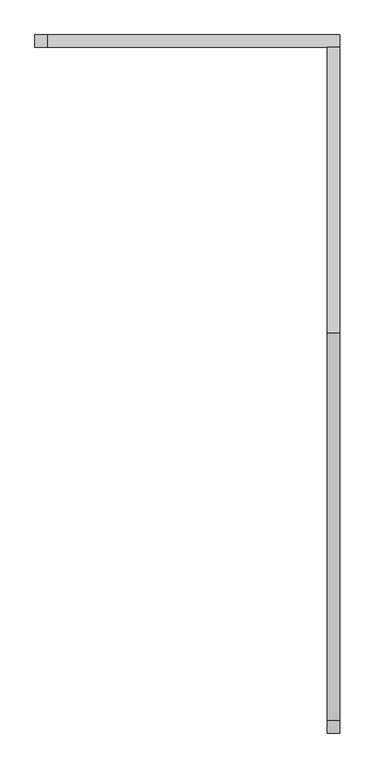
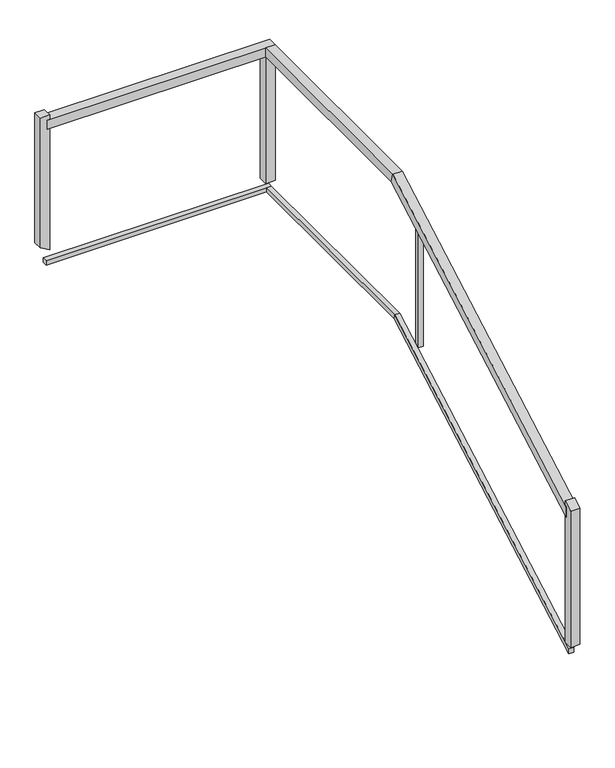
"""IFC4 building model written with IfcOpenShell, lengths in millimetres: railing geometry."""

from ifc_helpers import new_model, si_unit, frame, origin, place, context, project, spatial, polyline, outline, extrude, faceted_brep, source, transform, mapped, element, save


def railing_ad7afbd9(model_context):
    return source(origin(), model_context, "Body", "SolidModel", [
        faceted_brep([(-17048.4805784, 119392.2077715, 427.960957), (-17099.2805784, 119392.2077715, 427.960957), (-17099.2805784, 119392.2077715, 369.639043), (-17048.4805784, 119392.2077715, 369.639043), (-17048.4805784, 121017.5390603, 1344.6), (-17099.2805784, 121017.5390603, 1344.6), (-17099.2805784, 121030.8764827, 1293.8), (-17048.4805784, 121030.8764827, 1293.8), (-17048.4805784, 122208.2501734, 1344.6), (-17048.4805784, 122208.2501734, 1293.8), (-17099.2805784, 122208.2501734, 1293.8), (-17099.2805784, 122208.2501734, 1344.6)], [[[0, 1, 2, 3]], [[1, 0, 4, 5]], [[2, 1, 5, 6]], [[3, 2, 6, 7]], [[0, 3, 7, 4]], [[8, 9, 10, 11]], [[5, 4, 8, 11]], [[6, 5, 11, 10]], [[7, 6, 10, 9]], [[4, 7, 9, 8]]]),
        faceted_brep([(-17048.4805784, 122259.0501734, 1344.6), (-17048.4805784, 122208.2501734, 1344.6), (-17048.4805784, 122208.2501734, 1293.8), (-17048.4805784, 122259.0501734, 1293.8), (-18278.6629276, 122259.0501734, 1344.6), (-18278.6629276, 122259.0501734, 1293.8), (-18278.6629276, 122208.2501734, 1293.8), (-18278.6629276, 122208.2501734, 1344.6)], [[[0, 1, 2, 3]], [[4, 5, 6, 7]], [[1, 0, 4, 7]], [[2, 1, 7, 6]], [[3, 2, 6, 5]], [[0, 3, 5, 4]]]),
        faceted_brep([(-17061.1805784, 119392.2077715, -384.2195215), (-17086.5805784, 119392.2077715, -384.2195215), (-17086.5805784, 119392.2077715, -413.3804785), (-17061.1805784, 119392.2077715, -413.3804785), (-17061.1805784, 121020.8734159, 534.3), (-17086.5805784, 121020.8734159, 534.3), (-17086.5805784, 121027.5421271, 508.9), (-17061.1805784, 121027.5421271, 508.9), (-17061.1805784, 122220.9501734, 534.3), (-17061.1805784, 122220.9501734, 508.9), (-17086.5805784, 122220.9501734, 508.9), (-17086.5805784, 122220.9501734, 534.3)], [[[0, 1, 2, 3]], [[1, 0, 4, 5]], [[2, 1, 5, 6]], [[3, 2, 6, 7]], [[0, 3, 7, 4]], [[8, 9, 10, 11]], [[5, 4, 8, 11]], [[6, 5, 11, 10]], [[7, 6, 10, 9]], [[4, 7, 9, 8]]]),
        faceted_brep([(-17061.1805784, 122246.3501734, 534.3), (-17061.1805784, 122220.9501734, 534.3), (-17061.1805784, 122220.9501734, 508.9), (-17061.1805784, 122246.3501734, 508.9), (-18278.6629276, 122246.3501734, 534.3), (-18278.6629276, 122246.3501734, 508.9), (-18278.6629276, 122220.9501734, 508.9), (-18278.6629276, 122220.9501734, 534.3)], [[[0, 1, 2, 3]], [[4, 5, 6, 7]], [[1, 0, 4, 7]], [[2, 1, 7, 6]], [[3, 2, 6, 5]], [[0, 3, 5, 4]]]),
        extrude(outline(polyline([(120800.2289725, 1205.582545), (120825.6289725, 1219.9073979), (120825.6289725, 494.1509165), (120800.2289725, 479.8260635), (120800.2289725, 1205.582545)])), frame((-17086.5805784, 0.0, 0.0), z_axis=(1.0, 0.0, 0.0), x_axis=(0.0, 1.0, 0.0)), (0.0, 0.0, 1.0), 25.4),
        extrude(outline(polyline([(-17099.2805784, 122208.2501734), (-17099.2805784, 122259.0501734), (-17048.4805784, 122259.0501734), (-17048.4805784, 122208.2501734), (-17099.2805784, 122208.2501734)])), frame((0.0, 0.0, 569.2), z_axis=(0.0, 0.0, 1.0), x_axis=(1.0, 0.0, 0.0)), (0.0, 0.0, 1.0), 724.6),
        extrude(outline(polyline([(1370.1, -18265.9629276), (1370.1, -18316.7629276), (627.630798, -18316.7629276), (598.9810921, -18265.9629276), (1370.1, -18265.9629276)])), frame((0.0, 122208.2501734, 0.0), z_axis=(0.0, 1.0, 0.0), x_axis=(0.0, 0.0, 1.0)), (0.0, 0.0, 1.0), 50.8),
        extrude(outline(polyline([(119354.1077715, 428.2127206), (119404.9077715, 456.8624265), (119404.9077715, -351.2), (119354.1077715, -351.2), (119354.1077715, 428.2127206)])), frame((-17099.2805784, 0.0, 0.0), z_axis=(1.0, 0.0, 0.0), x_axis=(0.0, 1.0, 0.0)), (0.0, 0.0, 1.0), 50.8),
    ])


if __name__ == "__main__":
    model = new_model("IFC4")
    model_context = context("Model", 3, world=origin())
    ifc_project = project(units=[si_unit("LENGTHUNIT", "METRE", prefix="MILLI")], contexts=[model_context])
    site = spatial("IfcSite", under=ifc_project)
    building = spatial("IfcBuilding", under=site)
    placement = place(None, origin())
    railing_shape = railing_ad7afbd9(model_context)
    element("IfcRailing", 1, at=placement, inside=building, context=model_context, shape_type="MappedRepresentation", body=[
        mapped(railing_shape, transform((0.0, 0.0, 0.0), x_axis=(1.0, 0.0, 0.0), y_axis=(0.0, 1.0, 0.0), z_axis=(0.0, 0.0, 1.0))),
    ])
    save(model, "model.ifc")
